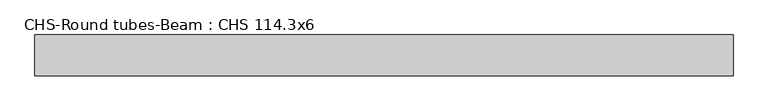
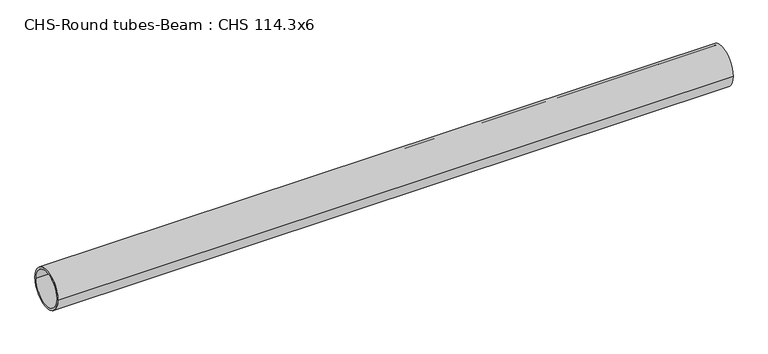
"""IFC4 building model written with IfcOpenShell, lengths in millimetres: beam geometry, CHS-Round tubes-Beam : CHS 114.3x6."""

from ifc_helpers import new_model, si_unit, point, frame, origin, origin_2d, place, context, project, spatial, circle_curve, trimmed, segment, composite_curve, outline, extrude, source, transform, mapped, element, save


def chs_round_tubes_beam_chs_114_3x6_1dab49ab(model_context):
    return source(origin(), model_context, "Body", "SweptSolid", [
        extrude(outline(composite_curve([segment(trimmed(circle_curve(origin_2d(), 57.15), [point((57.15, 0.0))], [point((-57.15, 0.0))], False, "CARTESIAN"), True, "CONTINUOUS"), segment(trimmed(circle_curve(origin_2d(), 57.15), [point((-57.15, 0.0))], [point((57.15, 0.0))], False, "CARTESIAN"), True, "CONTINUOUS")], self_intersect=False), holes=[composite_curve([segment(trimmed(circle_curve(origin_2d(), 51.15), [point((51.15, 0.0))], [point((-51.15, 0.0))], True, "CARTESIAN"), True, "CONTINUOUS"), segment(trimmed(circle_curve(origin_2d(), 51.15), [point((-51.15, 0.0))], [point((51.15, 0.0))], True, "CARTESIAN"), True, "CONTINUOUS")], self_intersect=False)]), frame((-977.4867051, 0.0, 0.0), z_axis=(1.0, 0.0, 0.0), x_axis=(0.0, 1.0, 0.0)), (0.0, 0.0, 1.0), 1945.3653376),
    ])


if __name__ == "__main__":
    model = new_model("IFC4")
    model_context = context("Model", 3, world=origin())
    ifc_project = project(units=[si_unit("LENGTHUNIT", "METRE", prefix="MILLI")], contexts=[model_context])
    site = spatial("IfcSite", under=ifc_project)
    building = spatial("IfcBuilding", under=site)
    placement = place(None, origin())
    chs_round_tubes_beam_chs_114_3x6_shape = chs_round_tubes_beam_chs_114_3x6_1dab49ab(model_context)
    element("IfcBeam", 1, ObjectType="CHS-Round tubes-Beam : CHS 114.3x6", at=placement, inside=building, context=model_context, shape_type="MappedRepresentation", body=[
        mapped(chs_round_tubes_beam_chs_114_3x6_shape, transform((0.0, 0.0, 0.0), x_axis=(1.0, 0.0, 0.0), y_axis=(0.0, 1.0, 0.0), z_axis=(0.0, 0.0, 1.0))),
    ])
    save(model, "model.ifc")
